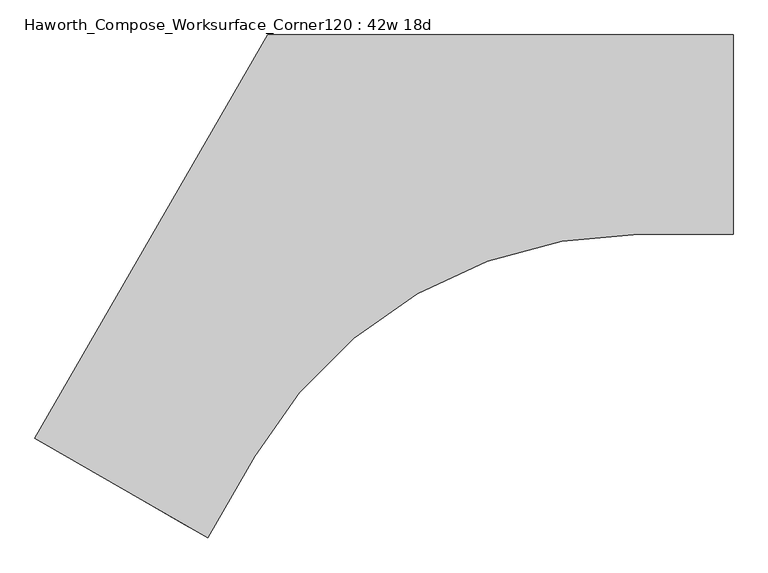
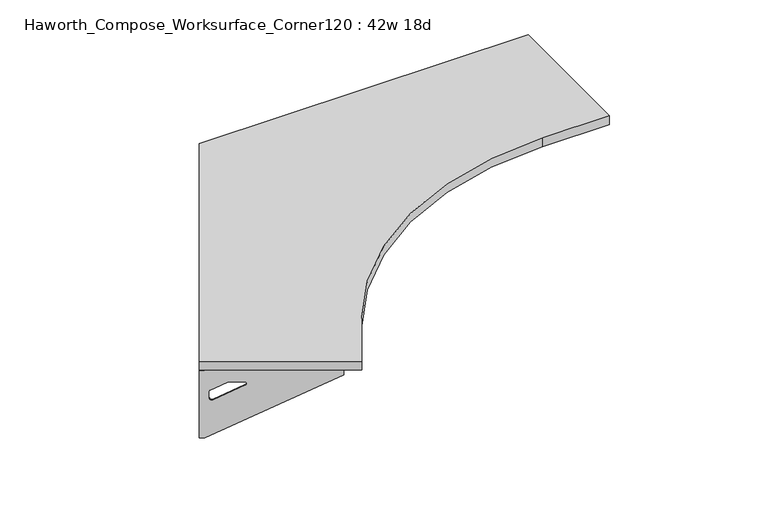
"""IFC4 building model written with IfcOpenShell, lengths in millimetres: furniture geometry, Haworth_Compose_Worksurface_Corner120 : 42w 18d."""

from ifc_helpers import new_model, si_unit, point, frame, frame_2d, origin, place, context, project, spatial, polyline, circle_curve, trimmed, segment, composite_curve, outline, extrude, source, transform, mapped, element, save
from ifc_brep_helpers import plane_surface, revolved_surface, advanced_brep


def haworth_compose_worksurface_corner120_42w_18d_c3c1d16e(model_context):
    return source(origin(), model_context, "Body", "SolidModel", [
        advanced_brep(
        [(302.41875, 304.8, 473.86875), (302.41875, 288.925, 473.86875), (302.41875, -101.6, 690.1317568), (302.41875, -101.6, 702.46875), (302.41875, 288.925, 702.46875), (302.41875, 304.8, 702.46875), (302.41875, 221.490072, 664.36875), (302.41875, 177.8355284, 664.36875), (302.41875, 175.1564235, 654.7830539), (302.41875, 266.8776173, 603.9901439), (302.41875, 276.225, 609.5881969), (302.41875, 276.225, 633.0985246), (302.41875, 274.4730055, 635.9367776), (302.41875, 224.5663437, 663.5738425), (304.8, 304.8, 473.86875), (304.8, 304.8, 702.46875), (304.8, 288.925, 702.46875), (304.8, 288.925, 704.85), (304.8, -101.6, 704.85), (304.8, -101.6, 690.1317568), (304.8, 288.925, 473.86875), (304.8, 221.490072, 664.36875), (304.8, 224.5663437, 663.5738425), (304.8, 274.4730055, 635.9367776), (304.8, 276.225, 633.0985246), (304.8, 276.225, 609.5881969), (304.8, 266.8776173, 603.9901439), (304.8, 175.1564235, 654.7830539), (304.8, 177.8355284, 664.36875), (263.525, -101.6, 704.85), (263.525, -101.6, 702.46875), (263.525, 288.925, 702.46875), (263.525, 288.925, 704.85)],
        [
            (0, 1),
            (1, 2),
            (2, 3),
            (3, 4),
            (4, 5),
            (5, 0),
            (6, 7),
            (7, 8, circle_curve(frame((302.41875, 177.8355284, 659.2015106), z_axis=(1.0, 0.0, 0.0), x_axis=(0.0, -1.0, 0.0)), 5.1672394)),
            (8, 9),
            (9, 10, circle_curve(frame((302.41875, 269.875, 609.5881969), z_axis=(1.0, 0.0, 0.0), x_axis=(0.0, -1.0, 0.0)), 6.35)),
            (10, 11),
            (11, 12, circle_curve(frame((302.41875, 273.05, 633.0985246), z_axis=(1.0, 0.0, 0.0), x_axis=(0.0, -1.0, 0.0)), 3.175)),
            (12, 13),
            (13, 6, circle_curve(frame((302.41875, 221.490072, 658.01875), z_axis=(1.0, 0.0, 0.0), x_axis=(0.0, -1.0, 0.0)), 6.35)),
            (14, 15),
            (15, 16),
            (16, 17),
            (17, 18),
            (18, 19),
            (19, 20),
            (20, 14),
            (21, 22, circle_curve(frame((304.8, 221.490072, 658.01875), z_axis=(-1.0, 0.0, 0.0), x_axis=(0.0, -1.0, 0.0)), 6.35)),
            (22, 23),
            (23, 24, circle_curve(frame((304.8, 273.05, 633.0985246), z_axis=(-1.0, 0.0, 0.0), x_axis=(0.0, -1.0, 0.0)), 3.175)),
            (24, 25),
            (25, 26, circle_curve(frame((304.8, 269.875, 609.5881969), z_axis=(-1.0, 0.0, 0.0), x_axis=(0.0, -1.0, 0.0)), 6.35)),
            (26, 27),
            (27, 28, circle_curve(frame((304.8, 177.8355284, 659.2015106), z_axis=(-1.0, 0.0, 0.0), x_axis=(0.0, -1.0, 0.0)), 5.1672394)),
            (28, 21),
            (4, 16),
            (15, 5),
            (14, 0),
            (20, 1),
            (19, 2),
            (18, 29),
            (29, 30),
            (30, 3),
            (6, 21),
            (28, 7),
            (9, 26),
            (25, 10),
            (24, 11),
            (23, 12),
            (27, 8),
            (31, 4),
            (30, 31),
            (32, 29),
            (17, 32),
            (31, 32),
            (22, 13),
        ],
        [
            plane_surface(frame((302.41875, 304.8, 473.86875), z_axis=(-1.0, 0.0, 0.0), x_axis=(0.0, 1.0, 0.0))),
            plane_surface(frame((304.8, 304.8, 473.86875), z_axis=(1.0, 0.0, 0.0), x_axis=(0.0, -1.0, 0.0))),
            plane_surface(frame((304.8, -101.6, 702.46875), z_axis=(0.0, 0.0, 1.0), x_axis=(-1.0, 0.0, 0.0))),
            plane_surface(frame((304.8, 304.8, 702.46875), z_axis=(0.0, 1.0, 0.0), x_axis=(-1.0, 0.0, 0.0))),
            plane_surface(frame((304.8, 304.8, 473.86875), z_axis=(0.0, 0.0, -1.0), x_axis=(-1.0, 0.0, 0.0))),
            plane_surface(frame((304.8, 288.925, 473.86875), z_axis=(0.0, -0.4844522351345575, -0.8748177135112957), x_axis=(-1.0, 0.0, 0.0))),
            plane_surface(frame((304.8, -101.6, 690.1317568), z_axis=(0.0, -1.0, 0.0), x_axis=(-1.0, 0.0, 0.0))),
            plane_surface(frame((304.8, 221.490072, 664.36875), z_axis=(0.0, 0.0, -1.0), x_axis=(-1.0, 0.0, 0.0))),
            revolved_surface(polyline([(302.41875, 263.525, 609.5881969), (304.8, 263.525, 609.5881969)]), (304.8, 269.875, 609.5881969), (-1.0, 0.0, 0.0)),
            plane_surface(frame((304.8, 276.225, 609.5881969), z_axis=(0.0, -1.0, 0.0), x_axis=(-1.0, 0.0, 0.0))),
            revolved_surface(polyline([(302.41875, 269.875, 633.0985246), (304.8, 269.875, 633.0985246)]), (304.8, 273.05, 633.0985246), (-1.0, 0.0, 0.0)),
            revolved_surface(polyline([(302.41875, 172.668289, 659.2015106), (304.8, 172.668289, 659.2015106)]), (304.8, 177.8355284, 659.2015106), (-1.0, 0.0, 0.0)),
            plane_surface(frame((304.8, 288.925, 702.46875), z_axis=(0.0, 0.0, -1.0), x_axis=(-1.0, 0.0, 0.0))),
            plane_surface(frame((304.8, 288.925, 704.85), z_axis=(0.0, 0.0, 1.0), x_axis=(1.0, 0.0, 0.0))),
            plane_surface(frame((263.525, 288.925, 704.85), z_axis=(0.0, 1.0, 0.0), x_axis=(0.0, 0.0, -1.0))),
            plane_surface(frame((263.525, -101.6, 704.85), z_axis=(-1.0, 0.0, 0.0), x_axis=(0.0, 0.0, -1.0))),
            plane_surface(frame((304.8, 175.1564235, 654.7830539), z_axis=(0.0, 0.4844522351341526, 0.8748177135115199), x_axis=(-1.0, 0.0, 0.0))),
            plane_surface(frame((304.8, 274.4730055, 635.9367776), z_axis=(0.0, -0.48445223513456226, -0.874817713511293), x_axis=(-1.0, 0.0, 0.0))),
            revolved_surface(polyline([(302.41875, 215.140072, 658.01875), (304.8, 215.140072, 658.01875)]), (304.8, 221.490072, 658.01875), (-1.0, 0.0, 0.0)),
        ],
        [
            (0, [[1, 2, 3, 4, 5, 6], [7, 8, 9, 10, 11, 12, 13, 14]]),
            (1, [[15, 16, 17, 18, 19, 20, 21], [22, 23, 24, 25, 26, 27, 28, 29]]),
            (2, [[-5, 30, -16, 31]]),
            (3, [[-31, -15, 32, -6]]),
            (4, [[-32, -21, 33, -1]]),
            (5, [[-33, -20, 34, -2]]),
            (6, [[-34, -19, 35, 36, 37, -3]]),
            (7, [[38, -29, 39, -7]]),
            (8, [[40, -26, 41, -10]]),
            (9, [[-41, -25, 42, -11]]),
            (10, [[-42, -24, 43, -12]]),
            (11, [[-39, -28, 44, -8]]),
            (12, [[45, -4, -37, 46]]),
            (13, [[47, -35, -18, 48]]),
            (14, [[-17, -30, -45, 49, -48]]),
            (15, [[-36, -47, -49, -46]]),
            (16, [[-44, -27, -40, -9]]),
            (17, [[-43, -23, 50, -13]]),
            (18, [[-50, -22, -38, -14]]),
        ],
    ),
        advanced_brep(
        [(-1294.209375, -617.0136778, 473.86875), (-1294.209375, -617.0136778, 702.46875), (-1280.4612217, -624.9511778, 702.46875), (-942.2566509, -820.2136778, 702.46875), (-942.2566509, -820.2136778, 690.1317568), (-1280.4612217, -624.9511778, 473.86875), (-1222.060861, -658.6686418, 664.36875), (-1224.7249904, -657.1305059, 663.5738425), (-1267.9454274, -632.177175, 635.9367776), (-1269.4626991, -631.3011778, 633.0985246), (-1269.4626991, -631.3011778, 609.5881969), (-1261.3676282, -635.9748691, 603.9901439), (-1181.9347443, -681.835466, 654.7830539), (-1184.2549172, -680.4959136, 664.36875), (-1295.4, -619.0759008, 473.86875), (-1281.6518467, -627.0134008, 473.86875), (-943.4472759, -822.2759008, 690.1317568), (-943.4472759, -822.2759008, 704.85), (-1281.6518467, -627.0134008, 704.85), (-1281.6518467, -627.0134008, 702.46875), (-1295.4, -619.0759008, 702.46875), (-1223.251486, -660.7308648, 664.36875), (-1185.4455422, -682.5581365, 664.36875), (-1183.1253693, -683.897689, 654.7830539), (-1262.5582532, -638.0370921, 603.9901439), (-1270.6533241, -633.3634008, 609.5881969), (-1270.6533241, -633.3634008, 633.0985246), (-1269.1360524, -634.239398, 635.9367776), (-1225.9156154, -659.1927289, 663.5738425), (-922.8097759, -786.5307022, 702.46875), (-922.8097759, -786.5307022, 704.85), (-1261.0143467, -591.2682022, 702.46875), (-1261.0143467, -591.2682022, 704.85)],
        [
            (0, 1),
            (1, 2),
            (2, 3),
            (3, 4),
            (4, 5),
            (5, 0),
            (6, 7, circle_curve(frame((-1222.060861, -658.6686418, 658.01875), z_axis=(-0.5000000000000026, -0.8660254037844374, 0.0), x_axis=(0.8660254037844372, -0.5000000000000024, 0.0)), 6.35)),
            (7, 8),
            (8, 9, circle_curve(frame((-1266.7130684, -632.8886778, 633.0985246), z_axis=(-0.5000000000000026, -0.8660254037844374, 0.0), x_axis=(0.8660254037844372, -0.5000000000000024, 0.0)), 3.175)),
            (9, 10),
            (10, 11, circle_curve(frame((-1263.9634378, -634.4761778, 609.5881969), z_axis=(-0.5000000000000026, -0.8660254037844374, 0.0), x_axis=(0.8660254037844372, -0.5000000000000024, 0.0)), 6.35)),
            (11, 12),
            (12, 13, circle_curve(frame((-1184.2549172, -680.4959136, 659.2015106), z_axis=(-0.5000000000000026, -0.8660254037844374, 0.0), x_axis=(0.8660254037844372, -0.5000000000000024, 0.0)), 5.1672394)),
            (13, 6),
            (14, 15),
            (15, 16),
            (16, 17),
            (17, 18),
            (18, 19),
            (19, 20),
            (20, 14),
            (21, 22),
            (22, 23, circle_curve(frame((-1185.4455422, -682.5581365, 659.2015106), z_axis=(0.5000000000000026, 0.8660254037844374, 0.0), x_axis=(0.8660254037844372, -0.5000000000000024, 0.0)), 5.1672394)),
            (23, 24),
            (24, 25, circle_curve(frame((-1265.1540628, -636.5384008, 609.5881969), z_axis=(0.5000000000000026, 0.8660254037844374, 0.0), x_axis=(0.8660254037844372, -0.5000000000000024, 0.0)), 6.35)),
            (25, 26),
            (26, 27, circle_curve(frame((-1267.9036934, -634.9509008, 633.0985246), z_axis=(0.5000000000000026, 0.8660254037844374, 0.0), x_axis=(0.8660254037844372, -0.5000000000000024, 0.0)), 3.175)),
            (27, 28),
            (28, 21, circle_curve(frame((-1223.251486, -660.7308648, 658.01875), z_axis=(0.5000000000000026, 0.8660254037844374, 0.0), x_axis=(0.8660254037844372, -0.5000000000000024, 0.0)), 6.35)),
            (1, 20),
            (19, 2),
            (0, 14),
            (5, 15),
            (4, 16),
            (3, 29),
            (29, 30),
            (30, 17),
            (13, 22),
            (21, 6),
            (10, 25),
            (24, 11),
            (9, 26),
            (8, 27),
            (12, 23),
            (31, 29),
            (2, 31),
            (32, 18),
            (30, 32),
            (32, 31),
            (7, 28),
        ],
        [
            plane_surface(frame((-1294.209375, -617.0136778, 473.86875), z_axis=(0.5000000000000026, 0.8660254037844373, 0.0), x_axis=(-0.8660254037844373, 0.5000000000000026, 0.0))),
            plane_surface(frame((-1295.4, -619.0759008, 473.86875), z_axis=(-0.5000000000000026, -0.8660254037844373, 0.0), x_axis=(0.8660254037844373, -0.5000000000000026, 0.0))),
            plane_surface(frame((-943.4472759, -822.2759008, 702.46875), z_axis=(0.0, 0.0, 1.0), x_axis=(0.5000000000000011, 0.866025403784438, 0.0))),
            plane_surface(frame((-1295.4, -619.0759008, 702.46875), z_axis=(-0.866025403784438, 0.5000000000000011, 0.0), x_axis=(0.5000000000000011, 0.866025403784438, 0.0))),
            plane_surface(frame((-1295.4, -619.0759008, 473.86875), z_axis=(0.0, 0.0, -1.0), x_axis=(0.5000000000000011, 0.866025403784438, 0.0))),
            plane_surface(frame((-1281.6518467, -627.0134008, 473.86875), z_axis=(0.41954794254667943, -0.24222611756727808, -0.8748177135112957), x_axis=(0.5000000000000011, 0.866025403784438, 0.0))),
            plane_surface(frame((-943.4472759, -822.2759008, 690.1317568), z_axis=(0.866025403784438, -0.5000000000000011, 0.0), x_axis=(0.5000000000000011, 0.866025403784438, 0.0))),
            plane_surface(frame((-1223.251486, -660.7308648, 664.36875), z_axis=(0.0, 0.0, -1.0), x_axis=(0.5000000000000011, 0.866025403784438, 0.0))),
            revolved_surface(polyline([(-1258.46417645195, -637.6511777483158, 609.5881969), (-1259.6548014859688, -639.7134008, 609.5881969)]), (-1265.1540628, -636.5384008, 609.5881969), (0.5000000000000024, 0.8660254037844372, 0.0)),
            plane_surface(frame((-1270.6533241, -633.3634008, 609.5881969), z_axis=(0.866025403784438, -0.5000000000000011, 0.0), x_axis=(0.5000000000000011, 0.866025403784438, 0.0))),
            revolved_surface(polyline([(-1263.9634377398502, -634.4761778018095, 633.0985246), (-1265.1540627537306, -636.5384008186128, 633.0985246)]), (-1267.9036934, -634.9509008, 633.0985246), (0.5000000000000024, 0.8660254037844372, 0.0)),
            revolved_surface(polyline([(-1179.7799566313815, -683.0795332405233, 659.2015106), (-1180.9705816345158, -685.1417562387139, 659.2015106)]), (-1185.4455422, -682.5581365, 659.2015106), (0.5000000000000024, 0.8660254037844372, 0.0)),
            plane_surface(frame((-1281.6518467, -627.0134008, 702.46875), z_axis=(0.0, 0.0, -1.0), x_axis=(0.5000000000000011, 0.866025403784438, 0.0))),
            plane_surface(frame((-1281.6518467, -627.0134008, 704.85), z_axis=(0.0, 0.0, 1.0), x_axis=(-0.5000000000000011, -0.866025403784438, 0.0))),
            plane_surface(frame((-1261.0143467, -591.2682022, 704.85), z_axis=(-0.866025403784438, 0.5000000000000011, 0.0), x_axis=(0.0, 0.0, -1.0))),
            plane_surface(frame((-922.8097759, -786.5307022, 704.85), z_axis=(0.5000000000000011, 0.866025403784438, 0.0), x_axis=(0.0, 0.0, -1.0))),
            plane_surface(frame((-1183.1253693, -683.897689, 654.7830539), z_axis=(-0.41954794254632877, 0.24222611756707563, 0.87481771351152), x_axis=(0.5000000000000011, 0.866025403784438, 0.0))),
            plane_surface(frame((-1269.1360524, -634.239398, 635.9367776), z_axis=(0.4195479425466836, -0.24222611756728046, -0.874817713511293), x_axis=(0.5000000000000011, 0.866025403784438, 0.0))),
            revolved_surface(polyline([(-1216.5615996508982, -661.8436417464941, 658.01875), (-1217.752224685969, -663.9058648, 658.01875)]), (-1223.251486, -660.7308648, 658.01875), (0.5000000000000024, 0.8660254037844372, 0.0)),
        ],
        [
            (0, [[1, 2, 3, 4, 5, 6], [7, 8, 9, 10, 11, 12, 13, 14]]),
            (1, [[15, 16, 17, 18, 19, 20, 21], [22, 23, 24, 25, 26, 27, 28, 29]]),
            (2, [[30, -20, 31, -2]]),
            (3, [[-1, 32, -21, -30]]),
            (4, [[-6, 33, -15, -32]]),
            (5, [[-5, 34, -16, -33]]),
            (6, [[-4, 35, 36, 37, -17, -34]]),
            (7, [[-14, 38, -22, 39]]),
            (8, [[-11, 40, -25, 41]]),
            (9, [[-10, 42, -26, -40]]),
            (10, [[-9, 43, -27, -42]]),
            (11, [[-13, 44, -23, -38]]),
            (12, [[45, -35, -3, 46]]),
            (13, [[47, -18, -37, 48]]),
            (14, [[-47, 49, -46, -31, -19]]),
            (15, [[-45, -49, -48, -36]]),
            (16, [[-12, -41, -24, -44]]),
            (17, [[-8, 50, -28, -43]]),
            (18, [[-7, -39, -29, -50]]),
        ],
    ),
        extrude(outline(composite_curve([segment(polyline([(-1295.4, -619.0759008), (-762.0, 304.8), (304.8, 304.8), (304.8, -152.4), (88.5524166, -152.4)]), True, "CONTINUOUS"), segment(trimmed(circle_curve(frame_2d((88.5524166, -1168.4)), 1016.0), [point((88.5524166, -152.4))], [point((-791.3293937, -660.4))], True, "CARTESIAN"), True, "CONTINUOUS"), segment(polyline([(-791.3293937, -660.4), (-899.4531854, -847.6759008), (-1295.4, -619.0759008)]), True, "CONTINUOUS")], self_intersect=False)), frame((0.0, 0.0, 706.4375), z_axis=(0.0, 0.0, 1.0), x_axis=(1.0, 0.0, 0.0)), (0.0, 0.0, 1.0), 30.1625),
    ])


if __name__ == "__main__":
    model = new_model("IFC4")
    model_context = context("Model", 3, world=origin())
    ifc_project = project(units=[si_unit("LENGTHUNIT", "METRE", prefix="MILLI")], contexts=[model_context])
    site = spatial("IfcSite", under=ifc_project)
    building = spatial("IfcBuilding", under=site)
    placement = place(None, origin())
    haworth_compose_worksurface_corner120_42w_18d_shape = haworth_compose_worksurface_corner120_42w_18d_c3c1d16e(model_context)
    element("IfcFurniture", 1, ObjectType="Haworth_Compose_Worksurface_Corner120 : 42w 18d", at=placement, inside=building, context=model_context, shape_type="MappedRepresentation", body=[
        mapped(haworth_compose_worksurface_corner120_42w_18d_shape, transform((0.0, 0.0, 0.0), x_axis=(1.0, 0.0, 0.0), y_axis=(0.0, 1.0, 0.0), z_axis=(0.0, 0.0, 1.0))),
    ])
    save(model, "model.ifc")
